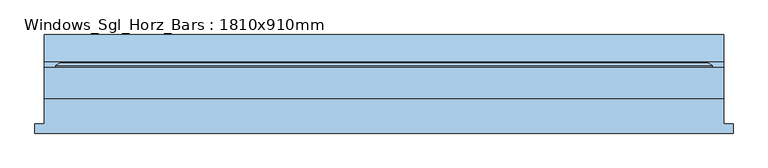
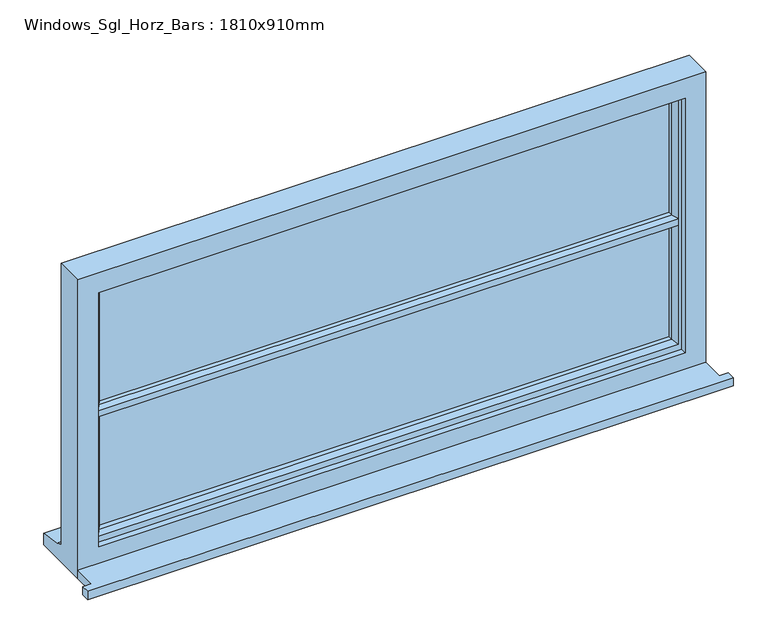
"""IFC4 building model written with IfcOpenShell, lengths in millimetres: window geometry, Windows_Sgl_Horz_Bars : 1810x910mm."""

from ifc_helpers import new_model, si_unit, frame, origin, place, context, project, spatial, polyline, outline, extrude, faceted_brep, source, transform, mapped, element, save


def windows_sgl_horz_bars_1810x910mm_d98301e7(model_context):
    return source(origin(), model_context, "Body", "SolidModel", [
        extrude(outline(polyline([(-930.0, -116.5434322), (-930.0, -91.5434322), (-905.0, -91.5434322), (-905.0, -24.5434322), (905.0, -24.5434322), (905.0, -91.5434322), (930.0, -91.5434322), (930.0, -116.5434322), (-930.0, -116.5434322)])), frame((0.0, 0.0, 1200.0), z_axis=(0.0, 0.0, 1.0), x_axis=(1.0, 0.0, 0.0)), (0.0, 0.0, 1.0), 25.0),
        faceted_brep([(-905.0, -24.5434322, 1200.0), (905.0, -24.5434322, 1200.0), (905.0, -24.5434322, 2110.0), (-905.0, -24.5434322, 2110.0), (-845.0, -24.5434322, 2050.0), (845.0, -24.5434322, 2050.0), (845.0, -24.5434322, 1275.0), (-845.0, -24.5434322, 1275.0), (-905.0, 58.4565678, 2110.0), (-905.0, 58.4565678, 1251.0), (-905.0, 73.4565678, 1249.68767), (-905.0, 73.4565678, 1244.7449676), (-905.0, 145.9565678, 1233.8088847), (-905.0, 145.9565678, 1200.0), (905.0, 58.4565678, 2110.0), (905.0, 58.4565678, 1251.0), (-865.0, 58.4565678, 2070.0), (-865.0, 58.4565678, 1263.0), (865.0, 58.4565678, 1263.0), (865.0, 58.4565678, 2070.0), (-865.0, -6.5434322, 2070.0), (-865.0, -6.5434322, 1263.0), (865.0, -6.5434322, 2070.0), (865.0, -6.5434322, 1263.0), (-845.0, -6.5434322, 2050.0), (-845.0, -6.5434322, 1275.0), (845.0, -6.5434322, 1275.0), (845.0, -6.5434322, 2050.0), (905.0, 145.9565678, 1200.0), (905.0, 145.9565678, 1233.8088847), (905.0, 73.4565678, 1244.7449676), (905.0, 73.4565678, 1249.68767)], [[[0, 1, 2, 3], [4, 5, 6, 7]], [[0, 3, 8, 9, 10, 11, 12, 13]], [[9, 8, 14, 15], [16, 17, 18, 19]], [[17, 16, 20, 21]], [[20, 22, 23, 21], [24, 25, 26, 27]], [[24, 4, 7, 25]], [[3, 2, 14, 8]], [[16, 19, 22, 20]], [[5, 4, 24, 27]], [[15, 14, 2, 1, 28, 29, 30, 31]], [[19, 18, 23, 22]], [[5, 27, 26, 6]], [[28, 1, 0, 13]], [[29, 28, 13, 12]], [[30, 29, 12, 11]], [[31, 30, 11, 10]], [[15, 31, 10, 9]], [[21, 23, 18, 17]], [[7, 6, 26, 25]]]),
        extrude(outline(polyline([(835.1480377, 22.4565678), (-835.0, 22.4565678), (-835.0, 46.4565678), (835.1480377, 46.4565678), (835.1480377, 22.4565678)])), frame((0.0, 0.0, 1293.0), z_axis=(0.0, 0.0, 1.0), x_axis=(1.0, 0.0, 0.0)), (0.0, 0.0, 1.0), 368.3307627),
        extrude(outline(polyline([(835.1480377, 22.4565678), (-835.0, 22.4565678), (-835.0, 46.4565678), (835.1480377, 46.4565678), (835.1480377, 22.4565678)])), frame((0.0, 0.0, 1671.6692373), z_axis=(0.0, 0.0, 1.0), x_axis=(1.0, 0.0, 0.0)), (0.0, 0.0, 1.0), 368.3307627),
        extrude(outline(polyline([(70.0035732, 1671.6692373), (70.0035732, 1661.3307627), (64.3277797, 1651.5), (46.4565678, 1651.5), (46.4565678, 1658.5), (22.4565678, 1658.5), (22.4565678, 1651.5), (7.9494677, 1651.5), (-6.5434322, 1656.6480377), (-6.5434322, 1676.3519623), (7.9494677, 1681.5), (22.4565678, 1681.5), (22.4565678, 1674.5), (46.4565678, 1674.5), (46.4565678, 1681.5), (64.3277797, 1681.5), (70.0035732, 1671.6692373)])), frame((-835.1480377, 0.0, 0.0), z_axis=(1.0, 0.0, 0.0), x_axis=(0.0, 1.0, 0.0)), (0.0, 0.0, 1.0), 1670.2960754),
        faceted_brep([(-875.0, 58.4565678, 2080.0), (-875.0, 64.2300705, 2080.0), (-875.0, 64.2300705, 1253.0), (-875.0, 58.4565678, 1253.0), (-865.0, -6.5434322, 2070.0), (-865.0, 58.4565678, 2070.0), (-865.0, 58.4565678, 1263.0), (-865.0, -6.5434322, 1263.0), (-825.0, 7.9494677, 2030.0), (-835.1480377, -6.5434322, 2040.1480377), (-835.1480377, -6.5434322, 1292.8519623), (-825.0, 7.9494677, 1303.0), (-825.0, 22.4565678, 2030.0), (-825.0, 22.4565678, 1303.0), (-835.0, 46.4565678, 2040.0), (-835.0, 22.4565678, 2040.0), (-835.0, 22.4565678, 1293.0), (-835.0, 46.4565678, 1293.0), (-825.0, 64.2300705, 2030.0), (-825.0, 46.4565678, 2030.0), (-825.0, 46.4565678, 1303.0), (-825.0, 64.2300705, 1303.0), (-835.0, 70.0035732, 2040.0), (-835.0, 70.0035732, 1293.0), (-864.2153903, 70.0035732, 2069.2153903), (-864.2153903, 70.0035732, 1263.7846097), (875.0, 64.2300705, 1253.0), (875.0, 58.4565678, 1253.0), (865.0, 58.4565678, 1263.0), (865.0, -6.5434322, 1263.0), (835.1480377, -6.5434322, 1292.8519623), (825.0, 7.9494677, 1303.0), (825.0, 22.4565678, 1303.0), (835.0, 22.4565678, 1293.0), (835.0, 46.4565678, 1293.0), (825.0, 46.4565678, 1303.0), (825.0, 64.2300705, 1303.0), (835.0, 70.0035732, 1293.0), (864.2153903, 70.0035732, 1263.7846097), (875.0, 64.2300705, 2080.0), (875.0, 58.4565678, 2080.0), (865.0, 58.4565678, 2070.0), (865.0, -6.5434322, 2070.0), (835.1480377, -6.5434322, 2040.1480377), (825.0, 7.9494677, 2030.0), (825.0, 22.4565678, 2030.0), (835.0, 22.4565678, 2040.0), (835.0, 46.4565678, 2040.0), (825.0, 46.4565678, 2030.0), (825.0, 64.2300705, 2030.0), (835.0, 70.0035732, 2040.0), (864.2153903, 70.0035732, 2069.2153903)], [[[0, 1, 2, 3]], [[4, 5, 6, 7]], [[8, 9, 10, 11]], [[12, 8, 11, 13]], [[14, 15, 16, 17]], [[18, 19, 20, 21]], [[22, 18, 21, 23]], [[1, 24, 25, 2]], [[3, 2, 26, 27]], [[7, 6, 28, 29]], [[11, 10, 30, 31]], [[13, 11, 31, 32]], [[17, 16, 33, 34]], [[21, 20, 35, 36]], [[23, 21, 36, 37]], [[2, 25, 38, 26]], [[27, 26, 39, 40]], [[29, 28, 41, 42]], [[31, 30, 43, 44]], [[32, 31, 44, 45]], [[34, 33, 46, 47]], [[36, 35, 48, 49]], [[37, 36, 49, 50]], [[26, 38, 51, 39]], [[40, 39, 1, 0]], [[3, 27, 40, 0], [5, 41, 28, 6]], [[42, 41, 5, 4]], [[7, 29, 42, 4], [9, 43, 30, 10]], [[44, 43, 9, 8]], [[45, 44, 8, 12]], [[15, 46, 33, 16], [13, 32, 45, 12]], [[47, 46, 15, 14]], [[17, 34, 47, 14], [19, 48, 35, 20]], [[49, 48, 19, 18]], [[50, 49, 18, 22]], [[24, 51, 38, 25], [23, 37, 50, 22]], [[39, 51, 24, 1]]]),
    ])


if __name__ == "__main__":
    model = new_model("IFC4")
    model_context = context("Model", 3, world=origin())
    ifc_project = project(units=[si_unit("LENGTHUNIT", "METRE", prefix="MILLI")], contexts=[model_context])
    site = spatial("IfcSite", under=ifc_project)
    building = spatial("IfcBuilding", under=site)
    placement = place(None, origin())
    windows_sgl_horz_bars_1810x910mm_shape = windows_sgl_horz_bars_1810x910mm_d98301e7(model_context)
    element("IfcWindow", 1, ObjectType="Windows_Sgl_Horz_Bars : 1810x910mm", at=placement, inside=building, context=model_context, shape_type="MappedRepresentation", body=[
        mapped(windows_sgl_horz_bars_1810x910mm_shape, transform((0.0, 0.0, 0.0), x_axis=(1.0, 0.0, 0.0), y_axis=(0.0, 1.0, 0.0), z_axis=(0.0, 0.0, 1.0))),
    ])
    save(model, "model.ifc")
